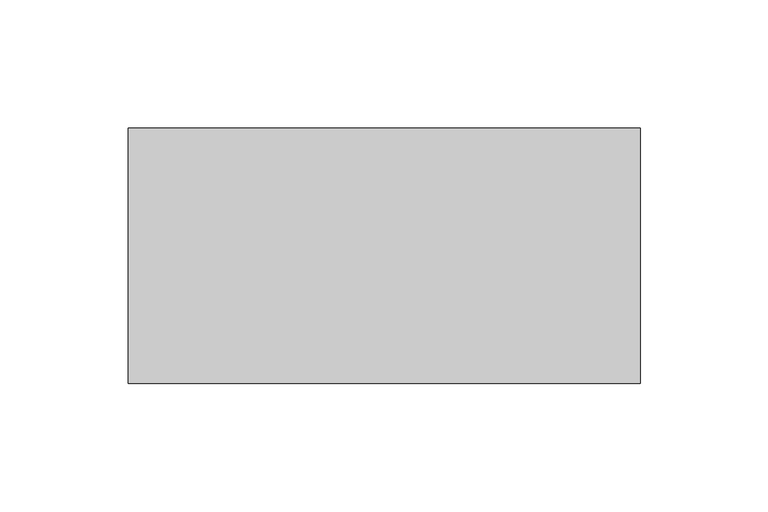
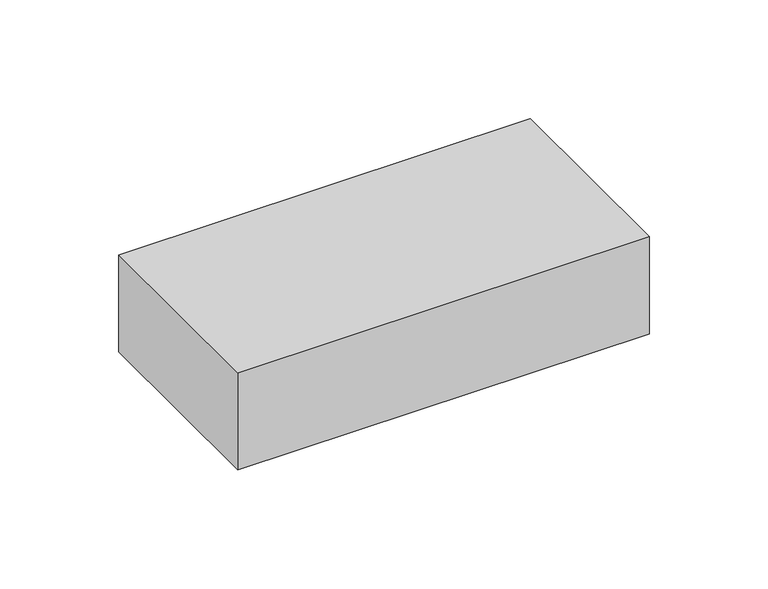
"""IFC4 building model written with IfcOpenShell, lengths in millimetres: proxy geometry."""

from ifc_helpers import new_model, si_unit, origin, origin_with_axes, place, context, project, spatial, polyline, outline, extrude, source, transform, mapped, element, save


def generic_models_1fc70868(model_context):
    return source(origin(), model_context, "Body", "SweptSolid", [
        extrude(outline(polyline([(200.0, 100.0), (200.0, 0.0), (0.0, 0.0), (0.0, 100.0), (200.0, 100.0)])), origin_with_axes(), (0.0, 0.0, 1.0), 50.0),
    ])


if __name__ == "__main__":
    model = new_model("IFC4")
    model_context = context("Model", 3, world=origin())
    ifc_project = project(units=[si_unit("LENGTHUNIT", "METRE", prefix="MILLI")], contexts=[model_context])
    site = spatial("IfcSite", under=ifc_project)
    building = spatial("IfcBuilding", under=site)
    placement = place(None, origin())
    generic_models_shape = generic_models_1fc70868(model_context)
    element("IfcBuildingElementProxy", 1, Name="Generic Models", at=placement, inside=building, context=model_context, shape_type="MappedRepresentation", body=[
        mapped(generic_models_shape, transform((0.0, 0.0, 0.0), x_axis=(1.0, 0.0, 0.0), y_axis=(0.0, 1.0, 0.0), z_axis=(0.0, 0.0, 1.0))),
    ])
    save(model, "model.ifc")
